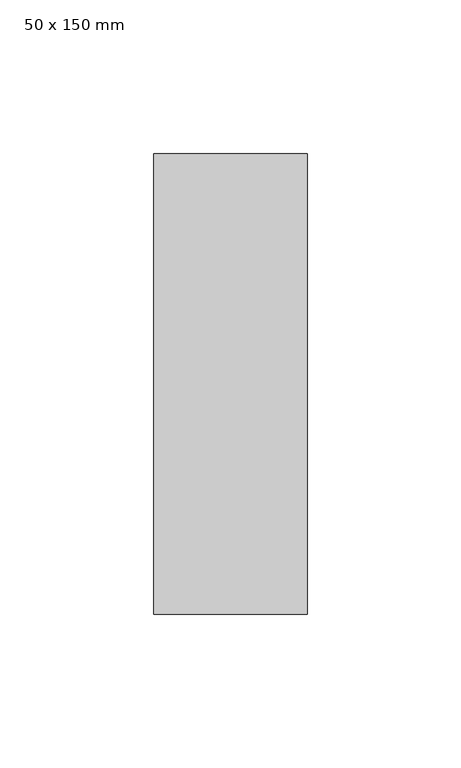
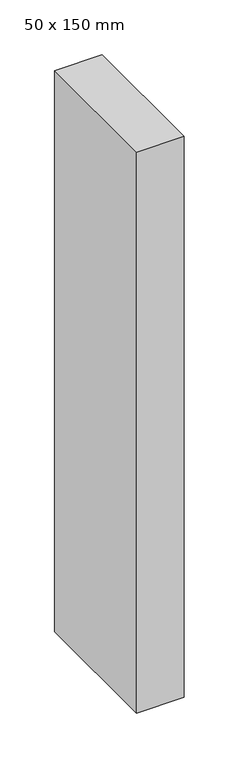
"""IFC4 building model written with IfcOpenShell, lengths in millimetres: member geometry, 50 x 150 mm."""

from ifc_helpers import new_model, si_unit, frame, origin, place, context, project, spatial, polyline, outline, extrude, source, transform, mapped, element, save


def member_50_x_150_mm_c7345f5c(model_context):
    return source(origin(), model_context, "Body", "SweptSolid", [
        extrude(outline(polyline([(25.0, 75.0), (25.0, -75.0), (-25.0, -75.0), (-25.0, 75.0), (25.0, 75.0)])), frame((0.0, 0.0, -625.0), z_axis=(0.0, 0.0, 1.0), x_axis=(1.0, 0.0, 0.0)), (0.0, 0.0, 1.0), 625.0),
    ])


if __name__ == "__main__":
    model = new_model("IFC4")
    model_context = context("Model", 3, world=origin())
    ifc_project = project(units=[si_unit("LENGTHUNIT", "METRE", prefix="MILLI")], contexts=[model_context])
    site = spatial("IfcSite", under=ifc_project)
    building = spatial("IfcBuilding", under=site)
    placement = place(None, origin())
    member_50_x_150_mm_shape = member_50_x_150_mm_c7345f5c(model_context)
    element("IfcMember", 1, ObjectType="50 x 150 mm", at=placement, inside=building, context=model_context, shape_type="MappedRepresentation", body=[
        mapped(member_50_x_150_mm_shape, transform((0.0, 0.0, 0.0), x_axis=(1.0, 0.0, 0.0), y_axis=(0.0, 1.0, 0.0), z_axis=(0.0, 0.0, 1.0))),
    ])
    save(model, "model.ifc")
